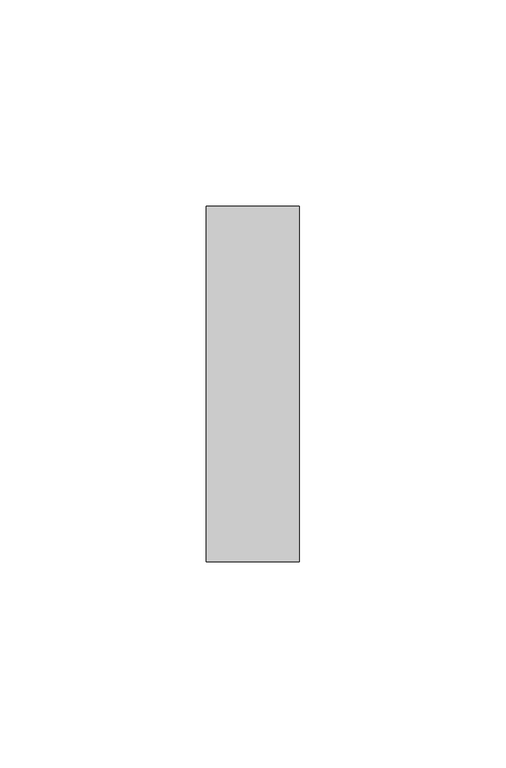
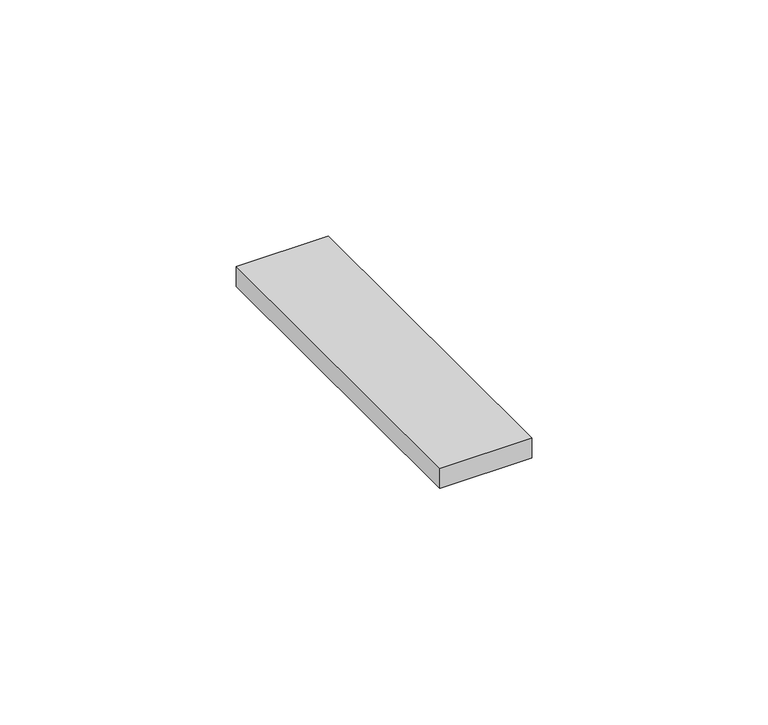
"""IFC4 building model written with IfcOpenShell, lengths in millimetres: proxy geometry."""

from ifc_helpers import new_model, si_unit, frame, origin, place, context, project, spatial, polyline, outline, extrude, source, transform, mapped, element, save


def electrical_fixtures_d9c63c75(model_context):
    return source(origin(), model_context, "Body", "SweptSolid", [
        extrude(outline(polyline([(0.0, 0.0), (0.0, 86.0), (22.5, 86.0), (22.5, 0.0), (0.0, 0.0)])), frame((0.0, 0.0, 5.5), z_axis=(0.0, 0.0, 1.0), x_axis=(1.0, 0.0, 0.0)), (0.0, 0.0, 1.0), 5.2),
    ])


if __name__ == "__main__":
    model = new_model("IFC4")
    model_context = context("Model", 3, world=origin())
    ifc_project = project(units=[si_unit("LENGTHUNIT", "METRE", prefix="MILLI")], contexts=[model_context])
    site = spatial("IfcSite", under=ifc_project)
    building = spatial("IfcBuilding", under=site)
    placement = place(None, origin())
    electrical_fixtures_shape = electrical_fixtures_d9c63c75(model_context)
    element("IfcBuildingElementProxy", 1, Name="Electrical Fixtures", at=placement, inside=building, context=model_context, shape_type="MappedRepresentation", body=[
        mapped(electrical_fixtures_shape, transform((0.0, 0.0, 0.0), x_axis=(1.0, 0.0, 0.0), y_axis=(0.0, 1.0, 0.0), z_axis=(0.0, 0.0, 1.0))),
    ])
    save(model, "model.ifc")
